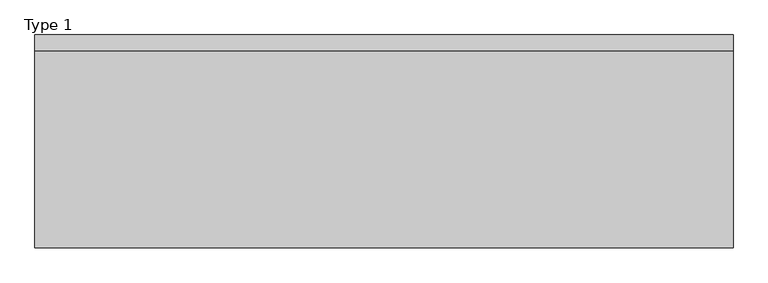
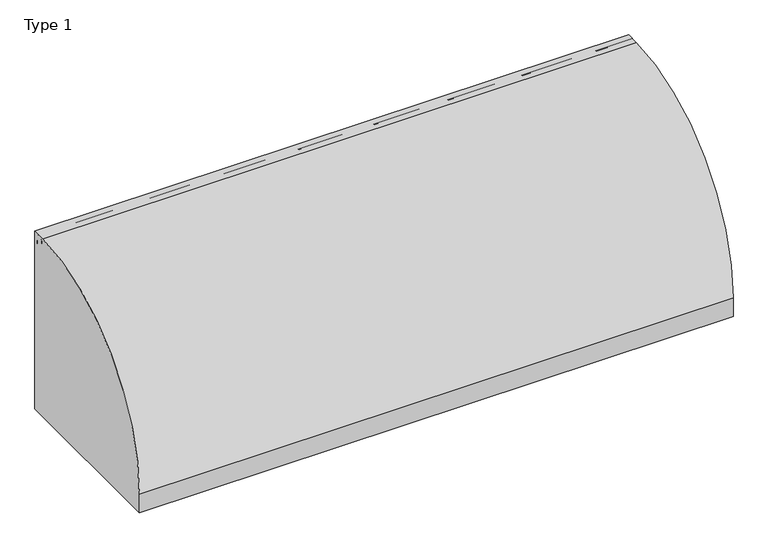
"""IFC4 building model written with IfcOpenShell, lengths in millimetres: railing geometry, Type 1."""

from ifc_helpers import new_model, si_unit, point, frame, frame_2d, origin, origin_with_axes, place, context, project, spatial, polyline, circle_curve, trimmed, segment, composite_curve, outline, extrude, source, transform, mapped, element, save
from ifc_brep_helpers import plane_surface, cylinder_surface, revolved_surface, advanced_brep


def type_1_2be7a91b(model_context):
    return source(origin(), model_context, "Body", "SolidModel", [
        extrude(outline(composite_curve([segment(polyline([(209.2, 1050.0), (209.2, 0.0), (-802.2, 0.0), (-802.2, 108.0)]), True, "CONTINUOUS"), segment(trimmed(circle_curve(frame_2d((139.8273072, 108.0)), 942.0273072), [point((-802.2, 108.0))], [point((132.6546144, 1050.0))], False, "CARTESIAN"), True, "CONTINUOUS"), segment(polyline([(132.6546144, 1050.0), (209.2, 1050.0)]), True, "CONTINUOUS")], self_intersect=False)), frame((-415.0, 0.0, 0.0), z_axis=(1.0, 0.0, 0.0), x_axis=(0.0, 1.0, 0.0)), (0.0, 0.0, 1.0), 3315.0),
        extrude(outline(composite_curve([segment(polyline([(112.7, 530.617273), (116.7, 530.617273), (116.7, 545.382727), (112.7, 545.382727)]), True, "CONTINUOUS"), segment(trimmed(circle_curve(frame_2d((131.287505, 538.0)), 20.0), [point((112.7, 545.382727))], [point((147.0, 550.3740657))], False, "CARTESIAN"), True, "CONTINUOUS"), segment(polyline([(147.0, 550.3740657), (147.0, 525.6259343)]), True, "CONTINUOUS"), segment(trimmed(circle_curve(frame_2d((131.287505, 538.0)), 20.0), [point((147.0, 525.6259343))], [point((112.7, 530.617273))], False, "CARTESIAN"), True, "CONTINUOUS")], self_intersect=False)), frame((-394.0, 0.0, 0.0), z_axis=(1.0, 0.0, 0.0), x_axis=(0.0, 1.0, 0.0)), (0.0, 0.0, 1.0), 3254.0),
        extrude(outline(composite_curve([segment(polyline([(187.0, 1011.43534), (187.0, 993.0), (186.0, 993.0), (186.0, 1008.0), (146.0, 1008.0), (146.0, 993.0), (145.0, 993.0), (145.0, 1011.43534)]), True, "CONTINUOUS"), segment(trimmed(circle_curve(frame_2d((166.0, 1025.0)), 25.0), [point((145.0, 1011.43534))], [point((187.0, 1011.43534))], False, "CARTESIAN"), True, "CONTINUOUS")], self_intersect=False)), frame((-415.0, 0.0, 0.0), z_axis=(1.0, 0.0, 0.0), x_axis=(0.0, 1.0, 0.0)), (0.0, 0.0, 1.0), 3315.0),
        extrude(outline(polyline([(1170.0, 185.0), (1215.0, 185.0), (1215.0, 0.0), (1170.0, 0.0), (1170.0, 185.0)])), origin_with_axes(), (0.0, 0.0, 1.0), 2.5),
        extrude(outline(composite_curve([segment(polyline([(185.0, 185.0), (185.0, 0.0), (0.0, 0.0), (0.0, 54.9560848)]), True, "CONTINUOUS"), segment(trimmed(circle_curve(frame_2d((15.0, 54.9560848)), 15.0), [point((0.0, 54.9560848))], [point((4.3933983, 65.5626865))], False, "CARTESIAN"), True, "CONTINUOUS"), segment(polyline([(4.3933983, 65.5626865), (102.485009, 163.6542973)]), True, "CONTINUOUS"), segment(trimmed(circle_curve(frame_2d((154.0180942, 112.1212122)), 72.8787879), [point((102.485009, 163.6542973))], [point((154.0180942, 185.0))], False, "CARTESIAN"), True, "CONTINUOUS"), segment(polyline([(154.0180942, 185.0), (185.0, 185.0)]), True, "CONTINUOUS")], self_intersect=False), holes=[composite_curve([segment(trimmed(circle_curve(frame_2d((165.5151515, 93.0361975)), 67.389419), [point((98.1257325, 93.0361975))], [point((157.417745, 159.9373619))], False, "CARTESIAN"), True, "CONTINUOUS"), segment(trimmed(circle_curve(frame_2d((157.6849895, 157.7293747)), 2.2241014), [point((157.417745, 159.9373619))], [point((159.9090909, 157.7293747))], False, "CARTESIAN"), True, "CONTINUOUS"), segment(polyline([(159.9090909, 157.7293747), (159.9090909, 143.5676849)]), True, "CONTINUOUS"), segment(trimmed(circle_curve(frame_2d((165.5151515, 143.5676849)), 5.6060606), [point((159.9090909, 143.5676849))], [point((171.1212121, 143.5676849))], True, "CARTESIAN"), True, "CONTINUOUS"), segment(polyline([(171.1212121, 143.5676849), (171.1212121, 166.0316771)]), True, "CONTINUOUS"), segment(trimmed(circle_curve(frame_2d((165.5151515, 166.0316771)), 5.6060606), [point((171.1212121, 166.0316771))], [point((165.5151515, 171.6377377))], True, "CARTESIAN"), True, "CONTINUOUS"), segment(trimmed(circle_curve(frame_2d((165.5151515, 93.0361975)), 78.6015402), [point((165.5151515, 171.6377377))], [point((86.9136113, 93.0361975))], True, "CARTESIAN"), True, "CONTINUOUS"), segment(trimmed(circle_curve(frame_2d((92.5196719, 93.0361975)), 5.6060606), [point((86.9136113, 93.0361975))], [point((98.1257325, 93.0361975))], True, "CARTESIAN"), True, "CONTINUOUS")], self_intersect=False)]), frame((1215.0, 0.0, 0.0), z_axis=(1.0, 0.0, 0.0), x_axis=(0.0, 1.0, 0.0)), (0.0, 0.0, 1.0), 3.0),
        advanced_brep(
        [(1282.0, 185.0, 185.0), (1282.0, 185.0, 100.9768515), (1282.0, 185.0, 0.0), (1282.0, 0.0, 0.0), (1282.0, 0.0, 54.9560848), (1282.0, 4.3933983, 65.5626865), (1282.0, 102.485009, 163.6542973), (1282.0, 154.0180942, 185.0), (1282.0, 98.1257325, 93.0361975), (1282.0, 157.417745, 159.9373619), (1282.0, 159.9090909, 157.7293747), (1282.0, 159.9090909, 143.5676849), (1282.0, 171.1212121, 143.5676849), (1282.0, 171.1212121, 166.0316771), (1282.0, 165.5151515, 171.6377377), (1282.0, 86.9136113, 93.0361975), (1285.0, 0.0, 54.9560848), (1285.0, 0.0, 2.5), (1285.0, 185.0, 2.5), (1285.0, 185.0, 100.9768515), (1285.0, 188.0, 100.9768515), (1285.0, 188.0, 185.0), (1285.0, 154.0180942, 185.0), (1285.0, 102.485009, 163.6542973), (1285.0, 4.3933983, 65.5626865), (1285.0, 98.1257325, 93.0361975), (1285.0, 86.9136113, 93.0361975), (1285.0, 165.5151515, 171.6377377), (1285.0, 171.1212121, 166.0316771), (1285.0, 171.1212121, 143.5676849), (1285.0, 159.9090909, 143.5676849), (1285.0, 159.9090909, 157.7293747), (1285.0, 157.417745, 159.9373619), (1215.0, 188.0, 185.0), (1215.0, 185.0, 185.0), (1330.0, 0.0, 0.0), (1330.0, 0.0, 2.5), (1330.0, 185.0, 0.0), (1330.0, 185.0, 2.5), (1215.0, 188.0, 100.9768515), (1215.0, 185.0, 100.9768515)],
        [
            (0, 1),
            (1, 2),
            (2, 3),
            (3, 4),
            (4, 5, circle_curve(frame((1282.0, 15.0, 54.9560848), z_axis=(-1.0, 0.0, 0.0), x_axis=(0.0, 1.0, 0.0)), 15.0)),
            (5, 6),
            (6, 7, circle_curve(frame((1282.0, 154.0180942, 112.1212122), z_axis=(-1.0, 0.0, 0.0), x_axis=(0.0, 1.0, 0.0)), 72.8787879)),
            (7, 0),
            (8, 9, circle_curve(frame((1282.0, 165.5151515, 93.0361975), z_axis=(-1.0, 0.0, 0.0), x_axis=(0.0, 1.0, 0.0)), 67.389419)),
            (9, 10, circle_curve(frame((1282.0, 157.6849895, 157.7293747), z_axis=(-1.0, 0.0, 0.0), x_axis=(0.0, 1.0, 0.0)), 2.2241014)),
            (10, 11),
            (11, 12, circle_curve(frame((1282.0, 165.5151515, 143.5676849), z_axis=(1.0, 0.0, 0.0), x_axis=(0.0, 1.0, 0.0)), 5.6060606)),
            (12, 13),
            (13, 14, circle_curve(frame((1282.0, 165.5151515, 166.0316771), z_axis=(1.0, 0.0, 0.0), x_axis=(0.0, 1.0, 0.0)), 5.6060606)),
            (14, 15, circle_curve(frame((1282.0, 165.5151515, 93.0361975), z_axis=(1.0, 0.0, 0.0), x_axis=(0.0, 1.0, 0.0)), 78.6015402)),
            (15, 8, circle_curve(frame((1282.0, 92.5196719, 93.0361975), z_axis=(1.0, 0.0, 0.0), x_axis=(0.0, 1.0, 0.0)), 5.6060606)),
            (16, 17),
            (17, 18),
            (18, 19),
            (19, 20),
            (20, 21),
            (21, 22),
            (22, 23, circle_curve(frame((1285.0, 154.0180942, 112.1212122), z_axis=(1.0, 0.0, 0.0), x_axis=(0.0, 1.0, 0.0)), 72.8787879)),
            (23, 24),
            (24, 16, circle_curve(frame((1285.0, 15.0, 54.9560848), z_axis=(1.0, 0.0, 0.0), x_axis=(0.0, 1.0, 0.0)), 15.0)),
            (25, 26, circle_curve(frame((1285.0, 92.5196719, 93.0361975), z_axis=(-1.0, 0.0, 0.0), x_axis=(0.0, 1.0, 0.0)), 5.6060606)),
            (26, 27, circle_curve(frame((1285.0, 165.5151515, 93.0361975), z_axis=(-1.0, 0.0, 0.0), x_axis=(0.0, 1.0, 0.0)), 78.6015402)),
            (27, 28, circle_curve(frame((1285.0, 165.5151515, 166.0316771), z_axis=(-1.0, 0.0, 0.0), x_axis=(0.0, 1.0, 0.0)), 5.6060606)),
            (28, 29),
            (29, 30, circle_curve(frame((1285.0, 165.5151515, 143.5676849), z_axis=(-1.0, 0.0, 0.0), x_axis=(0.0, 1.0, 0.0)), 5.6060606)),
            (30, 31),
            (31, 32, circle_curve(frame((1285.0, 157.6849895, 157.7293747), z_axis=(1.0, 0.0, 0.0), x_axis=(0.0, 1.0, 0.0)), 2.2241014)),
            (32, 25, circle_curve(frame((1285.0, 165.5151515, 93.0361975), z_axis=(1.0, 0.0, 0.0), x_axis=(0.0, 1.0, 0.0)), 67.389419)),
            (7, 22),
            (21, 33),
            (33, 34),
            (34, 0),
            (6, 23),
            (5, 24),
            (4, 16),
            (3, 35),
            (35, 36),
            (36, 17),
            (2, 37),
            (37, 35),
            (1, 19),
            (18, 38),
            (38, 37),
            (15, 26),
            (25, 8),
            (14, 27),
            (13, 28),
            (32, 9),
            (12, 29),
            (11, 30),
            (10, 31),
            (20, 39),
            (39, 33),
            (40, 1),
            (34, 40),
            (39, 40),
            (36, 38),
        ],
        [
            plane_surface(frame((1282.0, 183.2270223, 185.0), z_axis=(-1.0, 0.0, 0.0), x_axis=(0.0, -1.0, 0.0))),
            plane_surface(frame((1285.0, 183.2270223, 185.0), z_axis=(1.0, 0.0, 0.0), x_axis=(0.0, 1.0, 0.0))),
            plane_surface(frame((1282.0, 185.0, 185.0), z_axis=(0.0, 0.0, 1.0), x_axis=(1.0, 0.0, 0.0))),
            cylinder_surface(frame((1285.0, 154.0180942, 112.1212122), z_axis=(-1.0, 0.0, 0.0), x_axis=(0.0, 1.0, 0.0)), 72.8787879),
            plane_surface(frame((1282.0, 102.485009, 163.6542973), z_axis=(0.0, -0.7071067811865421, 0.707106781186553), x_axis=(1.0, 0.0, 0.0))),
            cylinder_surface(frame((1285.0, 15.0, 54.9560848), z_axis=(-1.0, 0.0, 0.0), x_axis=(0.0, 1.0, 0.0)), 15.0),
            plane_surface(frame((1282.0, 0.0, 54.9560848), z_axis=(0.0, -1.0, 0.0), x_axis=(1.0, 0.0, 0.0))),
            plane_surface(frame((1282.0, 0.0, 0.0), z_axis=(0.0, 0.0, -1.0), x_axis=(1.0, 0.0, 0.0))),
            plane_surface(frame((1282.0, 185.0, 0.0), z_axis=(0.0, 1.0, 0.0), x_axis=(1.0, 0.0, 0.0))),
            revolved_surface(polyline([(1285.0, 98.12573250000001, 93.0361975), (1282.0, 98.12573250000001, 93.0361975)]), (1285.0, 92.5196719, 93.0361975), (1.0, 0.0, 0.0)),
            revolved_surface(polyline([(1285.0, 244.1166917, 93.0361975), (1282.0, 244.1166917, 93.0361975)]), (1285.0, 165.5151515, 93.0361975), (1.0, 0.0, 0.0)),
            revolved_surface(polyline([(1285.0, 171.1212121, 166.0316771), (1282.0, 171.1212121, 166.0316771)]), (1285.0, 165.5151515, 166.0316771), (1.0, 0.0, 0.0)),
            cylinder_surface(frame((1285.0, 165.5151515, 93.0361975), z_axis=(-1.0, 0.0, 0.0), x_axis=(0.0, 1.0, 0.0)), 67.389419),
            plane_surface(frame((1282.0, 171.1212121, 166.0316771), z_axis=(0.0, -1.0, 0.0), x_axis=(1.0, 0.0, 0.0))),
            revolved_surface(polyline([(1285.0, 171.1212121, 143.5676849), (1282.0, 171.1212121, 143.5676849)]), (1285.0, 165.5151515, 143.5676849), (1.0, 0.0, 0.0)),
            plane_surface(frame((1282.0, 159.9090909, 143.5676849), z_axis=(0.0, 1.0, 0.0), x_axis=(1.0, 0.0, 0.0))),
            cylinder_surface(frame((1285.0, 157.6849895, 157.7293747), z_axis=(-1.0, 0.0, 0.0), x_axis=(0.0, 1.0, 0.0)), 2.2241014),
            plane_surface(frame((1215.0, 188.0, 185.0), z_axis=(0.0, 1.0, 0.0), x_axis=(-1.0, 0.0, 0.0))),
            plane_surface(frame((1215.0, 185.0, 185.0), z_axis=(0.0, -1.0, 0.0), x_axis=(1.0, 0.0, 0.0))),
            plane_surface(frame((1215.0, 188.0, 185.0), z_axis=(-1.0, 0.0, 0.0), x_axis=(0.0, -1.0, 0.0))),
            plane_surface(frame((1215.0, 188.0, 100.9768515), z_axis=(0.0, 0.0, -1.0), x_axis=(0.0, -1.0, 0.0))),
            plane_surface(frame((1330.0, 185.0, 2.5), z_axis=(0.0, 0.0, 1.0), x_axis=(0.0, -1.0, 0.0))),
            plane_surface(frame((1330.0, 185.0, 2.5), z_axis=(1.0, 0.0, 0.0), x_axis=(0.0, 0.0, -1.0))),
        ],
        [
            (0, [[1, 2, 3, 4, 5, 6, 7, 8], [9, 10, 11, 12, 13, 14, 15, 16]]),
            (1, [[17, 18, 19, 20, 21, 22, 23, 24, 25], [26, 27, 28, 29, 30, 31, 32, 33]]),
            (2, [[34, -22, 35, 36, 37, -8]]),
            (3, [[38, -23, -34, -7]]),
            (4, [[39, -24, -38, -6]]),
            (5, [[40, -25, -39, -5]]),
            (6, [[41, 42, 43, -17, -40, -4]]),
            (7, [[44, 45, -41, -3]]),
            (8, [[-2, 46, -19, 47, 48, -44]]),
            (9, [[49, -26, 50, -16]]),
            (10, [[51, -27, -49, -15]]),
            (11, [[52, -28, -51, -14]]),
            (12, [[-50, -33, 53, -9]]),
            (13, [[54, -29, -52, -13]]),
            (14, [[55, -30, -54, -12]]),
            (15, [[56, -31, -55, -11]]),
            (16, [[-53, -32, -56, -10]]),
            (17, [[-21, 57, 58, -35]]),
            (18, [[59, -1, -37, 60]]),
            (19, [[61, -60, -36, -58]]),
            (20, [[-20, -46, -59, -61, -57]]),
            (21, [[-47, -18, -43, 62]]),
            (22, [[-42, -45, -48, -62]]),
        ],
    ),
        extrude(outline(composite_curve([segment(polyline([(1227.0, 185.0), (1273.0, 185.0)]), True, "CONTINUOUS"), segment(trimmed(circle_curve(frame_2d((1273.0, 180.0)), 5.0), [point((1273.0, 185.0))], [point((1278.0, 180.0))], False, "CARTESIAN"), True, "CONTINUOUS"), segment(polyline([(1278.0, 180.0), (1278.0, 152.0)]), True, "CONTINUOUS"), segment(trimmed(circle_curve(frame_2d((1273.0, 152.0)), 5.0), [point((1278.0, 152.0))], [point((1273.0, 147.0))], False, "CARTESIAN"), True, "CONTINUOUS"), segment(polyline([(1273.0, 147.0), (1227.0, 147.0)]), True, "CONTINUOUS"), segment(trimmed(circle_curve(frame_2d((1227.0, 152.0)), 5.0), [point((1227.0, 147.0))], [point((1222.0, 152.0))], False, "CARTESIAN"), True, "CONTINUOUS"), segment(polyline([(1222.0, 152.0), (1222.0, 180.0)]), True, "CONTINUOUS"), segment(trimmed(circle_curve(frame_2d((1227.0, 180.0)), 5.0), [point((1222.0, 180.0))], [point((1227.0, 185.0))], False, "CARTESIAN"), True, "CONTINUOUS")], self_intersect=False)), frame((0.0, 0.0, 43.0), z_axis=(0.0, 0.0, 1.0), x_axis=(1.0, 0.0, 0.0)), (0.0, 0.0, 1.0), 965.0),
        extrude(outline(polyline([(2392.0, 185.0), (2437.0, 185.0), (2437.0, 0.0), (2392.0, 0.0), (2392.0, 185.0)])), origin_with_axes(), (0.0, 0.0, 1.0), 2.5),
        extrude(outline(composite_curve([segment(polyline([(185.0, 185.0), (185.0, 0.0), (0.0, 0.0), (0.0, 54.9560848)]), True, "CONTINUOUS"), segment(trimmed(circle_curve(frame_2d((15.0, 54.9560848)), 15.0), [point((0.0, 54.9560848))], [point((4.3933983, 65.5626865))], False, "CARTESIAN"), True, "CONTINUOUS"), segment(polyline([(4.3933983, 65.5626865), (102.485009, 163.6542973)]), True, "CONTINUOUS"), segment(trimmed(circle_curve(frame_2d((154.0180942, 112.1212122)), 72.8787879), [point((102.485009, 163.6542973))], [point((154.0180942, 185.0))], False, "CARTESIAN"), True, "CONTINUOUS"), segment(polyline([(154.0180942, 185.0), (185.0, 185.0)]), True, "CONTINUOUS")], self_intersect=False), holes=[composite_curve([segment(trimmed(circle_curve(frame_2d((165.5151515, 93.0361975)), 67.389419), [point((98.1257325, 93.0361975))], [point((157.417745, 159.9373619))], False, "CARTESIAN"), True, "CONTINUOUS"), segment(trimmed(circle_curve(frame_2d((157.6849895, 157.7293747)), 2.2241014), [point((157.417745, 159.9373619))], [point((159.9090909, 157.7293747))], False, "CARTESIAN"), True, "CONTINUOUS"), segment(polyline([(159.9090909, 157.7293747), (159.9090909, 143.5676849)]), True, "CONTINUOUS"), segment(trimmed(circle_curve(frame_2d((165.5151515, 143.5676849)), 5.6060606), [point((159.9090909, 143.5676849))], [point((171.1212121, 143.5676849))], True, "CARTESIAN"), True, "CONTINUOUS"), segment(polyline([(171.1212121, 143.5676849), (171.1212121, 166.0316771)]), True, "CONTINUOUS"), segment(trimmed(circle_curve(frame_2d((165.5151515, 166.0316771)), 5.6060606), [point((171.1212121, 166.0316771))], [point((165.5151515, 171.6377377))], True, "CARTESIAN"), True, "CONTINUOUS"), segment(trimmed(circle_curve(frame_2d((165.5151515, 93.0361975)), 78.6015402), [point((165.5151515, 171.6377377))], [point((86.9136113, 93.0361975))], True, "CARTESIAN"), True, "CONTINUOUS"), segment(trimmed(circle_curve(frame_2d((92.5196719, 93.0361975)), 5.6060606), [point((86.9136113, 93.0361975))], [point((98.1257325, 93.0361975))], True, "CARTESIAN"), True, "CONTINUOUS")], self_intersect=False)]), frame((2437.0, 0.0, 0.0), z_axis=(1.0, 0.0, 0.0), x_axis=(0.0, 1.0, 0.0)), (0.0, 0.0, 1.0), 3.0),
        advanced_brep(
        [(2504.0, 185.0, 185.0), (2504.0, 185.0, 100.9768515), (2504.0, 185.0, 0.0), (2504.0, 0.0, 0.0), (2504.0, 0.0, 54.9560848), (2504.0, 4.3933983, 65.5626865), (2504.0, 102.485009, 163.6542973), (2504.0, 154.0180942, 185.0), (2504.0, 98.1257325, 93.0361975), (2504.0, 157.417745, 159.9373619), (2504.0, 159.9090909, 157.7293747), (2504.0, 159.9090909, 143.5676849), (2504.0, 171.1212121, 143.5676849), (2504.0, 171.1212121, 166.0316771), (2504.0, 165.5151515, 171.6377377), (2504.0, 86.9136113, 93.0361975), (2507.0, 0.0, 54.9560848), (2507.0, 0.0, 2.5), (2507.0, 185.0, 2.5), (2507.0, 185.0, 100.9768515), (2507.0, 188.0, 100.9768515), (2507.0, 188.0, 185.0), (2507.0, 154.0180942, 185.0), (2507.0, 102.485009, 163.6542973), (2507.0, 4.3933983, 65.5626865), (2507.0, 98.1257325, 93.0361975), (2507.0, 86.9136113, 93.0361975), (2507.0, 165.5151515, 171.6377377), (2507.0, 171.1212121, 166.0316771), (2507.0, 171.1212121, 143.5676849), (2507.0, 159.9090909, 143.5676849), (2507.0, 159.9090909, 157.7293747), (2507.0, 157.417745, 159.9373619), (2437.0, 188.0, 185.0), (2437.0, 185.0, 185.0), (2552.0, 0.0, 0.0), (2552.0, 0.0, 2.5), (2552.0, 185.0, 0.0), (2552.0, 185.0, 2.5), (2437.0, 188.0, 100.9768515), (2437.0, 185.0, 100.9768515)],
        [
            (0, 1),
            (1, 2),
            (2, 3),
            (3, 4),
            (4, 5, circle_curve(frame((2504.0, 15.0, 54.9560848), z_axis=(-1.0, 0.0, 0.0), x_axis=(0.0, 1.0, 0.0)), 15.0)),
            (5, 6),
            (6, 7, circle_curve(frame((2504.0, 154.0180942, 112.1212122), z_axis=(-1.0, 0.0, 0.0), x_axis=(0.0, 1.0, 0.0)), 72.8787879)),
            (7, 0),
            (8, 9, circle_curve(frame((2504.0, 165.5151515, 93.0361975), z_axis=(-1.0, 0.0, 0.0), x_axis=(0.0, 1.0, 0.0)), 67.389419)),
            (9, 10, circle_curve(frame((2504.0, 157.6849895, 157.7293747), z_axis=(-1.0, 0.0, 0.0), x_axis=(0.0, 1.0, 0.0)), 2.2241014)),
            (10, 11),
            (11, 12, circle_curve(frame((2504.0, 165.5151515, 143.5676849), z_axis=(1.0, 0.0, 0.0), x_axis=(0.0, 1.0, 0.0)), 5.6060606)),
            (12, 13),
            (13, 14, circle_curve(frame((2504.0, 165.5151515, 166.0316771), z_axis=(1.0, 0.0, 0.0), x_axis=(0.0, 1.0, 0.0)), 5.6060606)),
            (14, 15, circle_curve(frame((2504.0, 165.5151515, 93.0361975), z_axis=(1.0, 0.0, 0.0), x_axis=(0.0, 1.0, 0.0)), 78.6015402)),
            (15, 8, circle_curve(frame((2504.0, 92.5196719, 93.0361975), z_axis=(1.0, 0.0, 0.0), x_axis=(0.0, 1.0, 0.0)), 5.6060606)),
            (16, 17),
            (17, 18),
            (18, 19),
            (19, 20),
            (20, 21),
            (21, 22),
            (22, 23, circle_curve(frame((2507.0, 154.0180942, 112.1212122), z_axis=(1.0, 0.0, 0.0), x_axis=(0.0, 1.0, 0.0)), 72.8787879)),
            (23, 24),
            (24, 16, circle_curve(frame((2507.0, 15.0, 54.9560848), z_axis=(1.0, 0.0, 0.0), x_axis=(0.0, 1.0, 0.0)), 15.0)),
            (25, 26, circle_curve(frame((2507.0, 92.5196719, 93.0361975), z_axis=(-1.0, 0.0, 0.0), x_axis=(0.0, 1.0, 0.0)), 5.6060606)),
            (26, 27, circle_curve(frame((2507.0, 165.5151515, 93.0361975), z_axis=(-1.0, 0.0, 0.0), x_axis=(0.0, 1.0, 0.0)), 78.6015402)),
            (27, 28, circle_curve(frame((2507.0, 165.5151515, 166.0316771), z_axis=(-1.0, 0.0, 0.0), x_axis=(0.0, 1.0, 0.0)), 5.6060606)),
            (28, 29),
            (29, 30, circle_curve(frame((2507.0, 165.5151515, 143.5676849), z_axis=(-1.0, 0.0, 0.0), x_axis=(0.0, 1.0, 0.0)), 5.6060606)),
            (30, 31),
            (31, 32, circle_curve(frame((2507.0, 157.6849895, 157.7293747), z_axis=(1.0, 0.0, 0.0), x_axis=(0.0, 1.0, 0.0)), 2.2241014)),
            (32, 25, circle_curve(frame((2507.0, 165.5151515, 93.0361975), z_axis=(1.0, 0.0, 0.0), x_axis=(0.0, 1.0, 0.0)), 67.389419)),
            (7, 22),
            (21, 33),
            (33, 34),
            (34, 0),
            (6, 23),
            (5, 24),
            (4, 16),
            (3, 35),
            (35, 36),
            (36, 17),
            (2, 37),
            (37, 35),
            (1, 19),
            (18, 38),
            (38, 37),
            (15, 26),
            (25, 8),
            (14, 27),
            (13, 28),
            (32, 9),
            (12, 29),
            (11, 30),
            (10, 31),
            (20, 39),
            (39, 33),
            (40, 1),
            (34, 40),
            (39, 40),
            (36, 38),
        ],
        [
            plane_surface(frame((2504.0, 183.2270223, 185.0), z_axis=(-1.0, 0.0, 0.0), x_axis=(0.0, -1.0, 0.0))),
            plane_surface(frame((2507.0, 183.2270223, 185.0), z_axis=(1.0, 0.0, 0.0), x_axis=(0.0, 1.0, 0.0))),
            plane_surface(frame((2504.0, 185.0, 185.0), z_axis=(0.0, 0.0, 1.0), x_axis=(1.0, 0.0, 0.0))),
            cylinder_surface(frame((2507.0, 154.0180942, 112.1212122), z_axis=(-1.0, 0.0, 0.0), x_axis=(0.0, 1.0, 0.0)), 72.8787879),
            plane_surface(frame((2504.0, 102.485009, 163.6542973), z_axis=(0.0, -0.7071067811865421, 0.707106781186553), x_axis=(1.0, 0.0, 0.0))),
            cylinder_surface(frame((2507.0, 15.0, 54.9560848), z_axis=(-1.0, 0.0, 0.0), x_axis=(0.0, 1.0, 0.0)), 15.0),
            plane_surface(frame((2504.0, 0.0, 54.9560848), z_axis=(0.0, -1.0, 0.0), x_axis=(1.0, 0.0, 0.0))),
            plane_surface(frame((2504.0, 0.0, 0.0), z_axis=(0.0, 0.0, -1.0), x_axis=(1.0, 0.0, 0.0))),
            plane_surface(frame((2504.0, 185.0, 0.0), z_axis=(0.0, 1.0, 0.0), x_axis=(1.0, 0.0, 0.0))),
            revolved_surface(polyline([(2507.0, 98.12573250000001, 93.0361975), (2504.0, 98.12573250000001, 93.0361975)]), (2507.0, 92.5196719, 93.0361975), (1.0, 0.0, 0.0)),
            revolved_surface(polyline([(2507.0, 244.1166917, 93.0361975), (2504.0, 244.1166917, 93.0361975)]), (2507.0, 165.5151515, 93.0361975), (1.0, 0.0, 0.0)),
            revolved_surface(polyline([(2507.0, 171.1212121, 166.0316771), (2504.0, 171.1212121, 166.0316771)]), (2507.0, 165.5151515, 166.0316771), (1.0, 0.0, 0.0)),
            cylinder_surface(frame((2507.0, 165.5151515, 93.0361975), z_axis=(-1.0, 0.0, 0.0), x_axis=(0.0, 1.0, 0.0)), 67.389419),
            plane_surface(frame((2504.0, 171.1212121, 166.0316771), z_axis=(0.0, -1.0, 0.0), x_axis=(1.0, 0.0, 0.0))),
            revolved_surface(polyline([(2507.0, 171.1212121, 143.5676849), (2504.0, 171.1212121, 143.5676849)]), (2507.0, 165.5151515, 143.5676849), (1.0, 0.0, 0.0)),
            plane_surface(frame((2504.0, 159.9090909, 143.5676849), z_axis=(0.0, 1.0, 0.0), x_axis=(1.0, 0.0, 0.0))),
            cylinder_surface(frame((2507.0, 157.6849895, 157.7293747), z_axis=(-1.0, 0.0, 0.0), x_axis=(0.0, 1.0, 0.0)), 2.2241014),
            plane_surface(frame((2437.0, 188.0, 185.0), z_axis=(0.0, 1.0, 0.0), x_axis=(-1.0, 0.0, 0.0))),
            plane_surface(frame((2437.0, 185.0, 185.0), z_axis=(0.0, -1.0, 0.0), x_axis=(1.0, 0.0, 0.0))),
            plane_surface(frame((2437.0, 188.0, 185.0), z_axis=(-1.0, 0.0, 0.0), x_axis=(0.0, -1.0, 0.0))),
            plane_surface(frame((2437.0, 188.0, 100.9768515), z_axis=(0.0, 0.0, -1.0), x_axis=(0.0, -1.0, 0.0))),
            plane_surface(frame((2552.0, 185.0, 2.5), z_axis=(0.0, 0.0, 1.0), x_axis=(0.0, -1.0, 0.0))),
            plane_surface(frame((2552.0, 185.0, 2.5), z_axis=(1.0, 0.0, 0.0), x_axis=(0.0, 0.0, -1.0))),
        ],
        [
            (0, [[1, 2, 3, 4, 5, 6, 7, 8], [9, 10, 11, 12, 13, 14, 15, 16]]),
            (1, [[17, 18, 19, 20, 21, 22, 23, 24, 25], [26, 27, 28, 29, 30, 31, 32, 33]]),
            (2, [[34, -22, 35, 36, 37, -8]]),
            (3, [[38, -23, -34, -7]]),
            (4, [[39, -24, -38, -6]]),
            (5, [[40, -25, -39, -5]]),
            (6, [[41, 42, 43, -17, -40, -4]]),
            (7, [[44, 45, -41, -3]]),
            (8, [[-2, 46, -19, 47, 48, -44]]),
            (9, [[49, -26, 50, -16]]),
            (10, [[51, -27, -49, -15]]),
            (11, [[52, -28, -51, -14]]),
            (12, [[-50, -33, 53, -9]]),
            (13, [[54, -29, -52, -13]]),
            (14, [[55, -30, -54, -12]]),
            (15, [[56, -31, -55, -11]]),
            (16, [[-53, -32, -56, -10]]),
            (17, [[-21, 57, 58, -35]]),
            (18, [[59, -1, -37, 60]]),
            (19, [[61, -60, -36, -58]]),
            (20, [[-20, -46, -59, -61, -57]]),
            (21, [[-47, -18, -43, 62]]),
            (22, [[-42, -45, -48, -62]]),
        ],
    ),
        extrude(outline(composite_curve([segment(polyline([(2449.0, 185.0), (2495.0, 185.0)]), True, "CONTINUOUS"), segment(trimmed(circle_curve(frame_2d((2495.0, 180.0)), 5.0), [point((2495.0, 185.0))], [point((2500.0, 180.0))], False, "CARTESIAN"), True, "CONTINUOUS"), segment(polyline([(2500.0, 180.0), (2500.0, 152.0)]), True, "CONTINUOUS"), segment(trimmed(circle_curve(frame_2d((2495.0, 152.0)), 5.0), [point((2500.0, 152.0))], [point((2495.0, 147.0))], False, "CARTESIAN"), True, "CONTINUOUS"), segment(polyline([(2495.0, 147.0), (2449.0, 147.0)]), True, "CONTINUOUS"), segment(trimmed(circle_curve(frame_2d((2449.0, 152.0)), 5.0), [point((2449.0, 147.0))], [point((2444.0, 152.0))], False, "CARTESIAN"), True, "CONTINUOUS"), segment(polyline([(2444.0, 152.0), (2444.0, 180.0)]), True, "CONTINUOUS"), segment(trimmed(circle_curve(frame_2d((2449.0, 180.0)), 5.0), [point((2444.0, 180.0))], [point((2449.0, 185.0))], False, "CARTESIAN"), True, "CONTINUOUS")], self_intersect=False)), frame((0.0, 0.0, 43.0), z_axis=(0.0, 0.0, 1.0), x_axis=(1.0, 0.0, 0.0)), (0.0, 0.0, 1.0), 965.0),
        extrude(outline(polyline([(-52.0, 185.0), (-7.0, 185.0), (-7.0, 0.0), (-52.0, 0.0), (-52.0, 185.0)])), origin_with_axes(), (0.0, 0.0, 1.0), 2.5),
        extrude(outline(composite_curve([segment(polyline([(185.0, 185.0), (185.0, 0.0), (0.0, 0.0), (0.0, 54.9560848)]), True, "CONTINUOUS"), segment(trimmed(circle_curve(frame_2d((15.0, 54.9560848)), 15.0), [point((0.0, 54.9560848))], [point((4.3933983, 65.5626865))], False, "CARTESIAN"), True, "CONTINUOUS"), segment(polyline([(4.3933983, 65.5626865), (102.485009, 163.6542972)]), True, "CONTINUOUS"), segment(trimmed(circle_curve(frame_2d((154.0180942, 112.1212121)), 72.8787879), [point((102.485009, 163.6542972))], [point((154.0180942, 185.0))], False, "CARTESIAN"), True, "CONTINUOUS"), segment(polyline([(154.0180942, 185.0), (185.0, 185.0)]), True, "CONTINUOUS")], self_intersect=False), holes=[composite_curve([segment(trimmed(circle_curve(frame_2d((165.5151515, 93.0361974)), 67.389419), [point((98.1257325, 93.0361974))], [point((157.417745, 159.9373618))], False, "CARTESIAN"), True, "CONTINUOUS"), segment(trimmed(circle_curve(frame_2d((157.6849895, 157.7293746)), 2.2241014), [point((157.417745, 159.9373618))], [point((159.9090909, 157.7293746))], False, "CARTESIAN"), True, "CONTINUOUS"), segment(polyline([(159.9090909, 157.7293746), (159.9090909, 143.5676849)]), True, "CONTINUOUS"), segment(trimmed(circle_curve(frame_2d((165.5151515, 143.5676849)), 5.6060606), [point((159.9090909, 143.5676849))], [point((171.1212121, 143.5676849))], True, "CARTESIAN"), True, "CONTINUOUS"), segment(polyline([(171.1212121, 143.5676849), (171.1212121, 166.031677)]), True, "CONTINUOUS"), segment(trimmed(circle_curve(frame_2d((165.5151515, 166.031677)), 5.6060606), [point((171.1212121, 166.031677))], [point((165.5151515, 171.6377376))], True, "CARTESIAN"), True, "CONTINUOUS"), segment(trimmed(circle_curve(frame_2d((165.5151515, 93.0361974)), 78.6015402), [point((165.5151515, 171.6377376))], [point((86.9136113, 93.0361974))], True, "CARTESIAN"), True, "CONTINUOUS"), segment(trimmed(circle_curve(frame_2d((92.5196719, 93.0361974)), 5.6060606), [point((86.9136113, 93.0361974))], [point((98.1257325, 93.0361974))], True, "CARTESIAN"), True, "CONTINUOUS")], self_intersect=False)]), frame((-7.0, 0.0, 0.0), z_axis=(1.0, 0.0, 0.0), x_axis=(0.0, 1.0, 0.0)), (0.0, 0.0, 1.0), 3.0),
        advanced_brep(
        [(60.0, 185.0, 185.0), (60.0, 185.0, 100.9768514), (60.0, 185.0, 0.0), (60.0, 0.0, 0.0), (60.0, 0.0, 54.9560848), (60.0, 4.3933983, 65.5626865), (60.0, 102.485009, 163.6542972), (60.0, 154.0180942, 185.0), (60.0, 98.1257325, 93.0361974), (60.0, 157.417745, 159.9373618), (60.0, 159.9090909, 157.7293746), (60.0, 159.9090909, 143.5676849), (60.0, 171.1212121, 143.5676849), (60.0, 171.1212121, 166.031677), (60.0, 165.5151515, 171.6377376), (60.0, 86.9136113, 93.0361974), (63.0, 0.0, 54.9560848), (63.0, 0.0, 2.5), (63.0, 185.0, 2.5), (63.0, 185.0, 100.9768514), (63.0, 188.0, 100.9768514), (63.0, 188.0, 185.0), (63.0, 154.0180942, 185.0), (63.0, 102.485009, 163.6542972), (63.0, 4.3933983, 65.5626865), (63.0, 98.1257325, 93.0361974), (63.0, 86.9136113, 93.0361974), (63.0, 165.5151515, 171.6377376), (63.0, 171.1212121, 166.031677), (63.0, 171.1212121, 143.5676849), (63.0, 159.9090909, 143.5676849), (63.0, 159.9090909, 157.7293746), (63.0, 157.417745, 159.9373618), (-7.0, 188.0, 185.0), (-7.0, 185.0, 185.0), (108.0, 0.0, 0.0), (108.0, 0.0, 2.5), (108.0, 185.0, 0.0), (108.0, 185.0, 2.5), (-7.0, 188.0, 100.9768514), (-7.0, 185.0, 100.9768514)],
        [
            (0, 1),
            (1, 2),
            (2, 3),
            (3, 4),
            (4, 5, circle_curve(frame((60.0, 15.0, 54.9560848), z_axis=(-1.0, 0.0, 0.0), x_axis=(0.0, 1.0, 0.0)), 15.0)),
            (5, 6),
            (6, 7, circle_curve(frame((60.0, 154.0180942, 112.1212121), z_axis=(-1.0, 0.0, 0.0), x_axis=(0.0, 1.0, 0.0)), 72.8787879)),
            (7, 0),
            (8, 9, circle_curve(frame((60.0, 165.5151515, 93.0361974), z_axis=(-1.0, 0.0, 0.0), x_axis=(0.0, 1.0, 0.0)), 67.389419)),
            (9, 10, circle_curve(frame((60.0, 157.6849895, 157.7293746), z_axis=(-1.0, 0.0, 0.0), x_axis=(0.0, 1.0, 0.0)), 2.2241014)),
            (10, 11),
            (11, 12, circle_curve(frame((60.0, 165.5151515, 143.5676849), z_axis=(1.0, 0.0, 0.0), x_axis=(0.0, 1.0, 0.0)), 5.6060606)),
            (12, 13),
            (13, 14, circle_curve(frame((60.0, 165.5151515, 166.031677), z_axis=(1.0, 0.0, 0.0), x_axis=(0.0, 1.0, 0.0)), 5.6060606)),
            (14, 15, circle_curve(frame((60.0, 165.5151515, 93.0361974), z_axis=(1.0, 0.0, 0.0), x_axis=(0.0, 1.0, 0.0)), 78.6015402)),
            (15, 8, circle_curve(frame((60.0, 92.5196719, 93.0361974), z_axis=(1.0, 0.0, 0.0), x_axis=(0.0, 1.0, 0.0)), 5.6060606)),
            (16, 17),
            (17, 18),
            (18, 19),
            (19, 20),
            (20, 21),
            (21, 22),
            (22, 23, circle_curve(frame((63.0, 154.0180942, 112.1212121), z_axis=(1.0, 0.0, 0.0), x_axis=(0.0, 1.0, 0.0)), 72.8787879)),
            (23, 24),
            (24, 16, circle_curve(frame((63.0, 15.0, 54.9560848), z_axis=(1.0, 0.0, 0.0), x_axis=(0.0, 1.0, 0.0)), 15.0)),
            (25, 26, circle_curve(frame((63.0, 92.5196719, 93.0361974), z_axis=(-1.0, 0.0, 0.0), x_axis=(0.0, 1.0, 0.0)), 5.6060606)),
            (26, 27, circle_curve(frame((63.0, 165.5151515, 93.0361974), z_axis=(-1.0, 0.0, 0.0), x_axis=(0.0, 1.0, 0.0)), 78.6015402)),
            (27, 28, circle_curve(frame((63.0, 165.5151515, 166.031677), z_axis=(-1.0, 0.0, 0.0), x_axis=(0.0, 1.0, 0.0)), 5.6060606)),
            (28, 29),
            (29, 30, circle_curve(frame((63.0, 165.5151515, 143.5676849), z_axis=(-1.0, 0.0, 0.0), x_axis=(0.0, 1.0, 0.0)), 5.6060606)),
            (30, 31),
            (31, 32, circle_curve(frame((63.0, 157.6849895, 157.7293746), z_axis=(1.0, 0.0, 0.0), x_axis=(0.0, 1.0, 0.0)), 2.2241014)),
            (32, 25, circle_curve(frame((63.0, 165.5151515, 93.0361974), z_axis=(1.0, 0.0, 0.0), x_axis=(0.0, 1.0, 0.0)), 67.389419)),
            (7, 22),
            (21, 33),
            (33, 34),
            (34, 0),
            (6, 23),
            (5, 24),
            (4, 16),
            (3, 35),
            (35, 36),
            (36, 17),
            (2, 37),
            (37, 35),
            (1, 19),
            (18, 38),
            (38, 37),
            (15, 26),
            (25, 8),
            (14, 27),
            (13, 28),
            (32, 9),
            (12, 29),
            (11, 30),
            (10, 31),
            (20, 39),
            (39, 33),
            (40, 1),
            (34, 40),
            (39, 40),
            (36, 38),
        ],
        [
            plane_surface(frame((60.0, 183.2270223, 185.0), z_axis=(-1.0, 0.0, 0.0), x_axis=(0.0, -1.0, 0.0))),
            plane_surface(frame((63.0, 183.2270223, 185.0), z_axis=(1.0, 0.0, 0.0), x_axis=(0.0, 1.0, 0.0))),
            plane_surface(frame((60.0, 185.0, 185.0), z_axis=(0.0, 0.0, 1.0), x_axis=(1.0, 0.0, 0.0))),
            cylinder_surface(frame((63.0, 154.0180942, 112.1212121), z_axis=(-1.0, 0.0, 0.0), x_axis=(0.0, 1.0, 0.0)), 72.8787879),
            plane_surface(frame((60.0, 102.485009, 163.6542972), z_axis=(0.0, -0.7071067811865421, 0.707106781186553), x_axis=(1.0, 0.0, 0.0))),
            cylinder_surface(frame((63.0, 15.0, 54.9560848), z_axis=(-1.0, 0.0, 0.0), x_axis=(0.0, 1.0, 0.0)), 15.0),
            plane_surface(frame((60.0, 0.0, 54.9560848), z_axis=(0.0, -1.0, 0.0), x_axis=(1.0, 0.0, 0.0))),
            plane_surface(frame((60.0, 0.0, 0.0), z_axis=(0.0, 0.0, -1.0), x_axis=(1.0, 0.0, 0.0))),
            plane_surface(frame((60.0, 185.0, 0.0), z_axis=(0.0, 1.0, 0.0), x_axis=(1.0, 0.0, 0.0))),
            revolved_surface(polyline([(63.0, 98.12573250000001, 93.0361974), (60.0, 98.12573250000001, 93.0361974)]), (63.0, 92.5196719, 93.0361974), (1.0, 0.0, 0.0)),
            revolved_surface(polyline([(63.0, 244.1166917, 93.0361974), (60.0, 244.1166917, 93.0361974)]), (63.0, 165.5151515, 93.0361974), (1.0, 0.0, 0.0)),
            revolved_surface(polyline([(63.0, 171.1212121, 166.031677), (60.0, 171.1212121, 166.031677)]), (63.0, 165.5151515, 166.031677), (1.0, 0.0, 0.0)),
            cylinder_surface(frame((63.0, 165.5151515, 93.0361974), z_axis=(-1.0, 0.0, 0.0), x_axis=(0.0, 1.0, 0.0)), 67.389419),
            plane_surface(frame((60.0, 171.1212121, 166.031677), z_axis=(0.0, -1.0, 0.0), x_axis=(1.0, 0.0, 0.0))),
            revolved_surface(polyline([(63.0, 171.1212121, 143.5676849), (60.0, 171.1212121, 143.5676849)]), (63.0, 165.5151515, 143.5676849), (1.0, 0.0, 0.0)),
            plane_surface(frame((60.0, 159.9090909, 143.5676849), z_axis=(0.0, 1.0, 0.0), x_axis=(1.0, 0.0, 0.0))),
            cylinder_surface(frame((63.0, 157.6849895, 157.7293746), z_axis=(-1.0, 0.0, 0.0), x_axis=(0.0, 1.0, 0.0)), 2.2241014),
            plane_surface(frame((-7.0, 188.0, 185.0), z_axis=(0.0, 1.0, 0.0), x_axis=(-1.0, 0.0, 0.0))),
            plane_surface(frame((-7.0, 185.0, 185.0), z_axis=(0.0, -1.0, 0.0), x_axis=(1.0, 0.0, 0.0))),
            plane_surface(frame((-7.0, 188.0, 185.0), z_axis=(-1.0, 0.0, 0.0), x_axis=(0.0, -1.0, 0.0))),
            plane_surface(frame((-7.0, 188.0, 100.9768514), z_axis=(0.0, 0.0, -1.0), x_axis=(0.0, -1.0, 0.0))),
            plane_surface(frame((108.0, 185.0, 2.5), z_axis=(0.0, 0.0, 1.0), x_axis=(0.0, -1.0, 0.0))),
            plane_surface(frame((108.0, 185.0, 2.5), z_axis=(1.0, 0.0, 0.0), x_axis=(0.0, 0.0, -1.0))),
        ],
        [
            (0, [[1, 2, 3, 4, 5, 6, 7, 8], [9, 10, 11, 12, 13, 14, 15, 16]]),
            (1, [[17, 18, 19, 20, 21, 22, 23, 24, 25], [26, 27, 28, 29, 30, 31, 32, 33]]),
            (2, [[34, -22, 35, 36, 37, -8]]),
            (3, [[38, -23, -34, -7]]),
            (4, [[39, -24, -38, -6]]),
            (5, [[40, -25, -39, -5]]),
            (6, [[41, 42, 43, -17, -40, -4]]),
            (7, [[44, 45, -41, -3]]),
            (8, [[-2, 46, -19, 47, 48, -44]]),
            (9, [[49, -26, 50, -16]]),
            (10, [[51, -27, -49, -15]]),
            (11, [[52, -28, -51, -14]]),
            (12, [[-50, -33, 53, -9]]),
            (13, [[54, -29, -52, -13]]),
            (14, [[55, -30, -54, -12]]),
            (15, [[56, -31, -55, -11]]),
            (16, [[-53, -32, -56, -10]]),
            (17, [[-21, 57, 58, -35]]),
            (18, [[59, -1, -37, 60]]),
            (19, [[61, -60, -36, -58]]),
            (20, [[-20, -46, -59, -61, -57]]),
            (21, [[-47, -18, -43, 62]]),
            (22, [[-42, -45, -48, -62]]),
        ],
    ),
        extrude(outline(composite_curve([segment(polyline([(5.0, 185.0), (51.0, 185.0)]), True, "CONTINUOUS"), segment(trimmed(circle_curve(frame_2d((51.0, 180.0)), 5.0), [point((51.0, 185.0))], [point((56.0, 180.0))], False, "CARTESIAN"), True, "CONTINUOUS"), segment(polyline([(56.0, 180.0), (56.0, 152.0)]), True, "CONTINUOUS"), segment(trimmed(circle_curve(frame_2d((51.0, 152.0)), 5.0), [point((56.0, 152.0))], [point((51.0, 147.0))], False, "CARTESIAN"), True, "CONTINUOUS"), segment(polyline([(51.0, 147.0), (5.0, 147.0)]), True, "CONTINUOUS"), segment(trimmed(circle_curve(frame_2d((5.0, 152.0)), 5.0), [point((5.0, 147.0))], [point((0.0, 152.0))], False, "CARTESIAN"), True, "CONTINUOUS"), segment(polyline([(0.0, 152.0), (0.0, 180.0)]), True, "CONTINUOUS"), segment(trimmed(circle_curve(frame_2d((5.0, 180.0)), 5.0), [point((0.0, 180.0))], [point((5.0, 185.0))], False, "CARTESIAN"), True, "CONTINUOUS")], self_intersect=False)), frame((0.0, 0.0, 43.0), z_axis=(0.0, 0.0, 1.0), x_axis=(1.0, 0.0, 0.0)), (0.0, 0.0, 1.0), 965.0),
    ])


if __name__ == "__main__":
    model = new_model("IFC4")
    model_context = context("Model", 3, world=origin())
    ifc_project = project(units=[si_unit("LENGTHUNIT", "METRE", prefix="MILLI")], contexts=[model_context])
    site = spatial("IfcSite", under=ifc_project)
    building = spatial("IfcBuilding", under=site)
    placement = place(None, origin())
    type_1_shape = type_1_2be7a91b(model_context)
    element("IfcRailing", 1, ObjectType="Type 1", at=placement, inside=building, context=model_context, shape_type="MappedRepresentation", body=[
        mapped(type_1_shape, transform((0.0, 0.0, 0.0), x_axis=(1.0, 0.0, 0.0), y_axis=(0.0, 1.0, 0.0), z_axis=(0.0, 0.0, 1.0))),
    ])
    save(model, "model.ifc")
